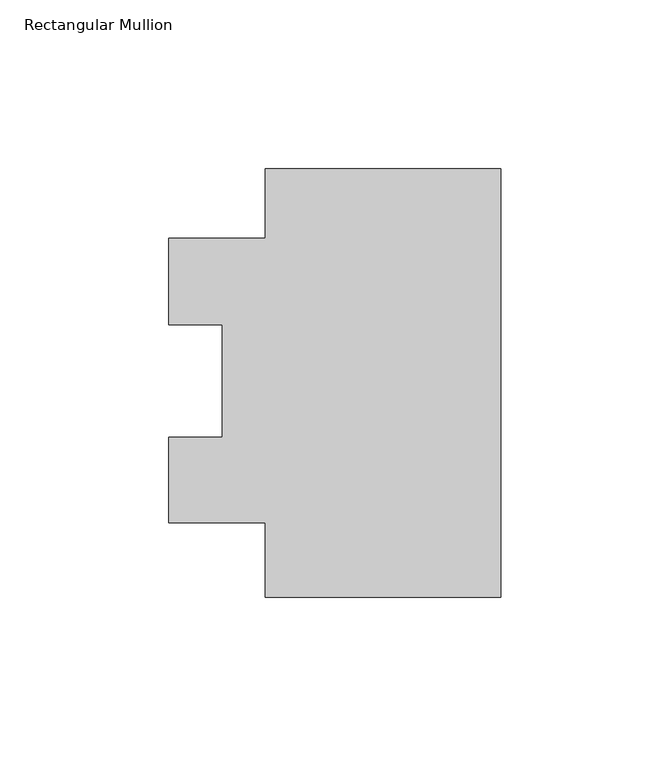
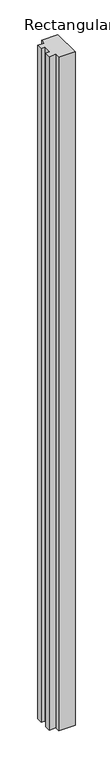
"""IFC4 building model written with IfcOpenShell, lengths in millimetres: member geometry, Rectangular Mullion."""

from ifc_helpers import new_model, si_unit, frame, origin, place, context, project, spatial, polyline, outline, extrude, source, transform, mapped, element, save


def rectangular_mullion_b1ce5c3d(model_context):
    return source(origin(), model_context, "Body", "SweptSolid", [
        extrude(outline(polyline([(-69.85, 46.02928), (0.0, 46.02928), (0.0, -80.97072), (-69.85, -80.97072), (-69.85, -58.84732), (-98.425, -58.84732), (-98.425, -33.51082), (-82.55, -33.51082), (-82.55, -0.1519854), (-98.425, -0.1519854), (-98.425, 25.48068), (-69.85, 25.48068), (-69.85, 46.02928)])), frame((0.0, 0.0, -3048.0), z_axis=(0.0, 0.0, 1.0), x_axis=(1.0, 0.0, 0.0)), (0.0, 0.0, 1.0), 3048.0),
    ])


if __name__ == "__main__":
    model = new_model("IFC4")
    model_context = context("Model", 3, world=origin())
    ifc_project = project(units=[si_unit("LENGTHUNIT", "METRE", prefix="MILLI")], contexts=[model_context])
    site = spatial("IfcSite", under=ifc_project)
    building = spatial("IfcBuilding", under=site)
    placement = place(None, origin())
    rectangular_mullion_shape = rectangular_mullion_b1ce5c3d(model_context)
    element("IfcMember", 1, ObjectType="Rectangular Mullion", at=placement, inside=building, context=model_context, shape_type="MappedRepresentation", body=[
        mapped(rectangular_mullion_shape, transform((0.0, 0.0, 0.0), x_axis=(1.0, 0.0, 0.0), y_axis=(0.0, 1.0, 0.0), z_axis=(0.0, 0.0, 1.0))),
    ])
    save(model, "model.ifc")
